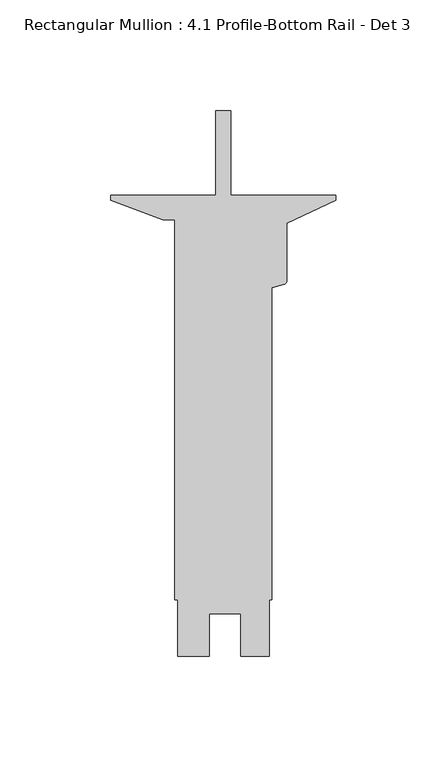
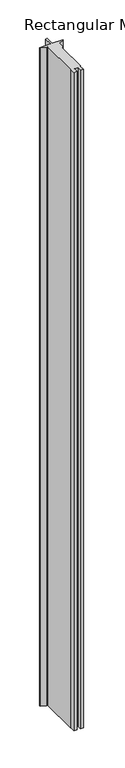
"""IFC4 building model written with IfcOpenShell, lengths in millimetres: member geometry, Rectangular Mullion : 4.1 Profile-Bottom Rail - Det 3."""

from ifc_helpers import new_model, si_unit, point, frame, frame_2d, origin, place, context, project, spatial, polyline, circle_curve, trimmed, segment, composite_curve, outline, extrude, source, transform, mapped, element, save


def rectangular_mullion_4_1_profile_bottom_rail_det_3_a8918759(model_context):
    return source(origin(), model_context, "Body", "SweptSolid", [
        extrude(outline(composite_curve([segment(polyline([(-54.1655, 0.0), (-54.1655, 38.09873), (-47.4345, 38.09873), (-47.4345, -0.00127), (0.0, -0.00127), (0.0, -2.38252), (-22.225, -12.70127), (-22.225, -38.724961)]), True, "CONTINUOUS"), segment(trimmed(circle_curve(frame_2d((-23.8125, -38.724961)), 1.5875), [point((-22.225, -38.724961))], [point((-23.4016248, -40.2583683))], False, "CARTESIAN"), True, "CONTINUOUS"), segment(polyline([(-23.4016248, -40.2583683), (-28.9052, -41.7330468), (-28.9052, -182.56377), (-30.1752, -182.56377), (-30.1752, -207.96377), (-42.8879, -207.96377), (-42.8879, -188.9264709), (-57.1754, -188.9264709), (-57.1754, -207.96377), (-71.4374837, -207.96377), (-71.4374837, -182.56377), (-72.6948, -182.56377), (-72.6948, -11.11377), (-78.184375, -11.11377), (-101.6, -2.38252), (-101.6, 0.0), (-54.1655, 0.0)]), True, "CONTINUOUS")], self_intersect=False)), frame((0.0, 0.0, -3048.0), z_axis=(0.0, 0.0, 1.0), x_axis=(1.0, 0.0, 0.0)), (0.0, 0.0, 1.0), 3048.0),
    ])


if __name__ == "__main__":
    model = new_model("IFC4")
    model_context = context("Model", 3, world=origin())
    ifc_project = project(units=[si_unit("LENGTHUNIT", "METRE", prefix="MILLI")], contexts=[model_context])
    site = spatial("IfcSite", under=ifc_project)
    building = spatial("IfcBuilding", under=site)
    placement = place(None, origin())
    rectangular_mullion_4_1_profile_bottom_rail_det_3_shape = rectangular_mullion_4_1_profile_bottom_rail_det_3_a8918759(model_context)
    element("IfcMember", 1, ObjectType="Rectangular Mullion : 4.1 Profile-Bottom Rail - Det 3", at=placement, inside=building, context=model_context, shape_type="MappedRepresentation", body=[
        mapped(rectangular_mullion_4_1_profile_bottom_rail_det_3_shape, transform((0.0, 0.0, 0.0), x_axis=(1.0, 0.0, 0.0), y_axis=(0.0, 1.0, 0.0), z_axis=(0.0, 0.0, 1.0))),
    ])
    save(model, "model.ifc")
